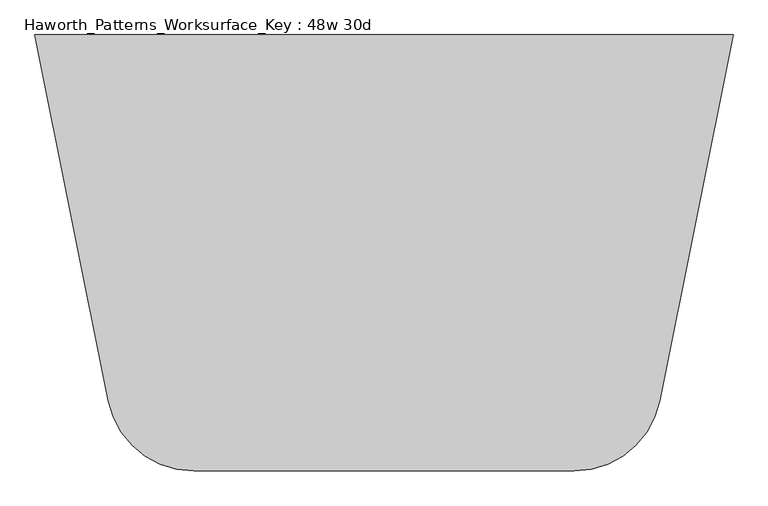
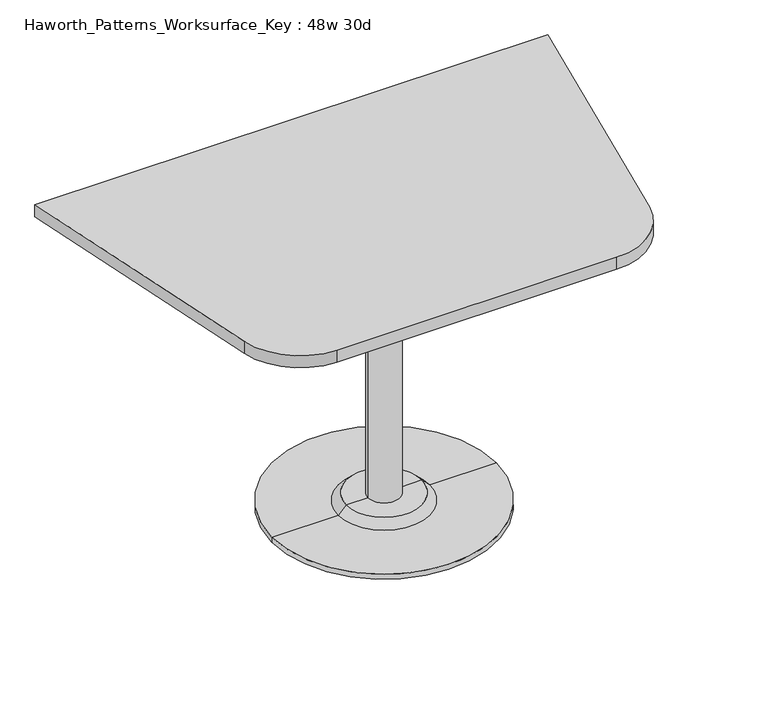
"""IFC4 building model written with IfcOpenShell, lengths in millimetres: furniture geometry, Haworth_Patterns_Worksurface_Key : 48w 30d."""

from ifc_helpers import new_model, si_unit, point, frame, frame_2d, origin, place, context, project, spatial, polyline, circle_curve, trimmed, segment, composite_curve, outline, extrude, source, transform, mapped, element, save
from ifc_brep_helpers import plane_surface, cylinder_surface, revolved_surface, advanced_brep


def haworth_patterns_worksurface_key_48w_30d_777b336b(model_context):
    return source(origin(), model_context, "Body", "SolidModel", [
        advanced_brep(
        [(38.1, 139.7, 706.4375), (-38.1, 139.7, 706.4375), (0.0, 139.7, 706.4375), (38.1, 139.7, 31.75), (-38.1, 139.7, 31.75), (89.723978, 139.7, 31.75), (-89.723978, 139.7, 31.75), (266.7, 139.7, 0.0), (-266.7, 139.7, 0.0), (-266.7, 139.7, 12.7), (266.7, 139.7, 12.7), (0.0, 139.7, 0.0), (108.773978, 139.7, 12.7), (-108.773978, 139.7, 12.7)],
        [
            (0, 1, circle_curve(frame((0.0, 139.7, 706.4375), z_axis=(0.0, 0.0, 1.0), x_axis=(-1.0, 0.0, 0.0)), 38.1)),
            (1, 2),
            (2, 0),
            (1, 0, circle_curve(frame((0.0, 139.7, 706.4375), z_axis=(0.0, 0.0, 1.0), x_axis=(-1.0, 0.0, 0.0)), 38.1)),
            (3, 4, circle_curve(frame((0.0, 139.7, 31.75), z_axis=(0.0, 0.0, 1.0), x_axis=(-1.0, 0.0, 0.0)), 38.1)),
            (4, 1),
            (0, 3),
            (4, 3, circle_curve(frame((0.0, 139.7, 31.75), z_axis=(0.0, 0.0, 1.0), x_axis=(-1.0, 0.0, 0.0)), 38.1)),
            (5, 6, circle_curve(frame((0.0, 139.7, 31.75), z_axis=(0.0, 0.0, 1.0), x_axis=(-1.0, 0.0, 0.0)), 89.723978)),
            (6, 4),
            (3, 5),
            (6, 5, circle_curve(frame((0.0, 139.7, 31.75), z_axis=(0.0, 0.0, 1.0), x_axis=(-1.0, 0.0, 0.0)), 89.723978)),
            (7, 8, circle_curve(frame((0.0, 139.7, 0.0), z_axis=(0.0, 0.0, 1.0), x_axis=(-1.0, 0.0, 0.0)), 266.7)),
            (8, 9),
            (9, 10, circle_curve(frame((0.0, 139.7, 12.7), z_axis=(0.0, 0.0, -1.0), x_axis=(-1.0, 0.0, 0.0)), 266.7)),
            (10, 7),
            (8, 7, circle_curve(frame((0.0, 139.7, 0.0), z_axis=(0.0, 0.0, 1.0), x_axis=(-1.0, 0.0, 0.0)), 266.7)),
            (10, 9, circle_curve(frame((0.0, 139.7, 12.7), z_axis=(0.0, 0.0, -1.0), x_axis=(-1.0, 0.0, 0.0)), 266.7)),
            (11, 8),
            (7, 11),
            (12, 13, circle_curve(frame((0.0, 139.7, 12.7), z_axis=(0.0, 0.0, 1.0), x_axis=(-1.0, 0.0, 0.0)), 108.773978)),
            (13, 6),
            (5, 12),
            (13, 12, circle_curve(frame((0.0, 139.7, 12.7), z_axis=(0.0, 0.0, 1.0), x_axis=(-1.0, 0.0, 0.0)), 108.773978)),
            (9, 13),
            (12, 10),
        ],
        [
            plane_surface(frame((0.0, 139.7, 706.4375), z_axis=(0.0, 0.0, 1.0), x_axis=(-1.0, 0.0, 0.0))),
            cylinder_surface(frame((0.0, 139.7, 889.623257), z_axis=(0.0, 0.0, -1.0), x_axis=(-1.0, 0.0, 0.0)), 38.1),
            plane_surface(frame((0.0, 139.7, 31.75), z_axis=(0.0, 0.0, 1.0), x_axis=(-1.0, 0.0, 0.0))),
            cylinder_surface(frame((0.0, 139.7, 889.623257), z_axis=(0.0, 0.0, -1.0), x_axis=(-1.0, 0.0, 0.0)), 266.7),
            plane_surface(frame((0.0, 139.7, 0.0), z_axis=(0.0, 0.0, -1.0), x_axis=(-1.0, 0.0, 0.0))),
            revolved_surface(polyline([(-89.723978, 139.7, 31.75), (-108.773978, 139.7, 12.7)]), (0.0, 139.7, 889.623257), (0.0, 0.0, -1.0)),
            plane_surface(frame((0.0, 139.7, 12.7), z_axis=(0.0, 0.0, 1.0), x_axis=(-1.0, 0.0, 0.0))),
        ],
        [
            (0, [[1, 2, 3]]),
            (0, [[4, -3, -2]]),
            (1, [[5, 6, -1, 7]]),
            (1, [[8, -7, -4, -6]]),
            (2, [[9, 10, -5, 11]]),
            (2, [[12, -11, -8, -10]]),
            (3, [[13, 14, 15, 16]]),
            (3, [[17, -16, 18, -14]]),
            (4, [[19, -13, 20]]),
            (4, [[-20, -17, -19]]),
            (5, [[21, 22, -9, 23]]),
            (5, [[24, -23, -12, -22]]),
            (6, [[-15, 25, -21, 26]]),
            (6, [[-18, -26, -24, -25]]),
        ],
    ),
        extrude(outline(composite_curve([segment(polyline([(609.6, 520.7), (481.7023802, -118.788099)]), True, "CONTINUOUS"), segment(trimmed(circle_curve(frame_2d((332.2618852, -88.9)), 152.4), [point((481.7023802, -118.788099))], [point((332.2618852, -241.3))], False, "CARTESIAN"), True, "CONTINUOUS"), segment(polyline([(332.2618852, -241.3), (-332.2618852, -241.3)]), True, "CONTINUOUS"), segment(trimmed(circle_curve(frame_2d((-332.2618852, -88.9)), 152.4), [point((-332.2618852, -241.3))], [point((-481.7023802, -118.788099))], False, "CARTESIAN"), True, "CONTINUOUS"), segment(polyline([(-481.7023802, -118.788099), (-609.6, 520.7), (609.6, 520.7)]), True, "CONTINUOUS")], self_intersect=False)), frame((0.0, 0.0, 706.4375), z_axis=(0.0, 0.0, 1.0), x_axis=(1.0, 0.0, 0.0)), (0.0, 0.0, 1.0), 30.1625),
    ])


if __name__ == "__main__":
    model = new_model("IFC4")
    model_context = context("Model", 3, world=origin())
    ifc_project = project(units=[si_unit("LENGTHUNIT", "METRE", prefix="MILLI")], contexts=[model_context])
    site = spatial("IfcSite", under=ifc_project)
    building = spatial("IfcBuilding", under=site)
    placement = place(None, origin())
    haworth_patterns_worksurface_key_48w_30d_shape = haworth_patterns_worksurface_key_48w_30d_777b336b(model_context)
    element("IfcFurniture", 1, ObjectType="Haworth_Patterns_Worksurface_Key : 48w 30d", at=placement, inside=building, context=model_context, shape_type="MappedRepresentation", body=[
        mapped(haworth_patterns_worksurface_key_48w_30d_shape, transform((0.0, 0.0, 0.0), x_axis=(1.0, 0.0, 0.0), y_axis=(0.0, 1.0, 0.0), z_axis=(0.0, 0.0, 1.0))),
    ])
    save(model, "model.ifc")
